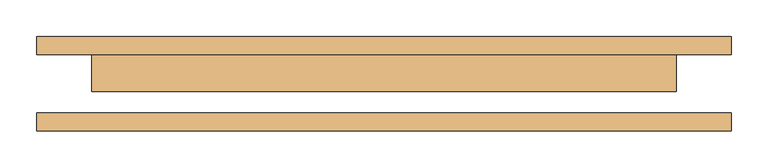
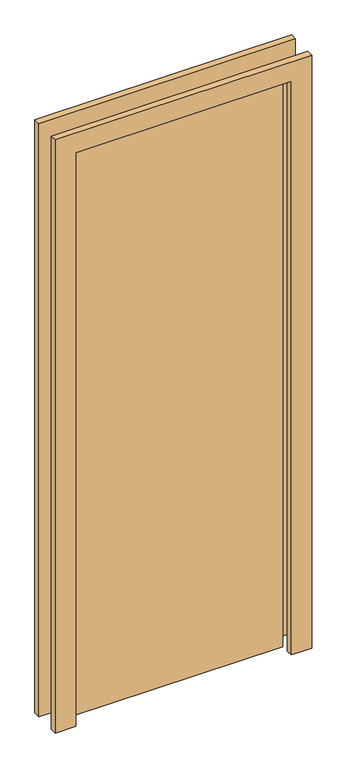
"""IFC4 building model written with IfcOpenShell, lengths in millimetres: door geometry."""

from ifc_helpers import new_model, si_unit, frame, origin, origin_with_axes, place, context, project, spatial, polyline, outline, extrude, source, transform, mapped, element, save


def door_07734aac(model_context):
    return source(origin(), model_context, "Body", "SweptSolid", [
        extrude(outline(polyline([(2326.0, -476.0), (0.0, -476.0), (0.0, -400.0), (2250.0, -400.0), (2250.0, 400.0), (0.0, 400.0), (0.0, 476.0), (2326.0, 476.0), (2326.0, -476.0)])), frame((0.0, 40.0, 0.0), z_axis=(0.0, 1.0, 0.0), x_axis=(0.0, 0.0, 1.0)), (0.0, 0.0, 1.0), 25.0),
        extrude(outline(polyline([(2326.0, 476.0), (2326.0, -476.0), (0.0, -476.0), (0.0, -400.0), (2250.0, -400.0), (2250.0, 400.0), (0.0, 400.0), (0.0, 476.0), (2326.0, 476.0)])), frame((0.0, -65.0, 0.0), z_axis=(0.0, 1.0, 0.0), x_axis=(0.0, 0.0, 1.0)), (0.0, 0.0, 1.0), 25.0),
        extrude(outline(polyline([(400.0, -11.0), (-400.0, -11.0), (-400.0, 40.0), (400.0, 40.0), (400.0, -11.0)])), origin_with_axes(), (0.0, 0.0, 1.0), 2250.0),
    ])


if __name__ == "__main__":
    model = new_model("IFC4")
    model_context = context("Model", 3, world=origin())
    ifc_project = project(units=[si_unit("LENGTHUNIT", "METRE", prefix="MILLI")], contexts=[model_context])
    site = spatial("IfcSite", under=ifc_project)
    building = spatial("IfcBuilding", under=site)
    placement = place(None, origin())
    door_shape = door_07734aac(model_context)
    element("IfcDoor", 1, at=placement, inside=building, context=model_context, shape_type="MappedRepresentation", body=[
        mapped(door_shape, transform((0.0, 0.0, 0.0), x_axis=(1.0, 0.0, 0.0), y_axis=(0.0, 1.0, 0.0), z_axis=(0.0, 0.0, 1.0))),
    ])
    save(model, "model.ifc")
